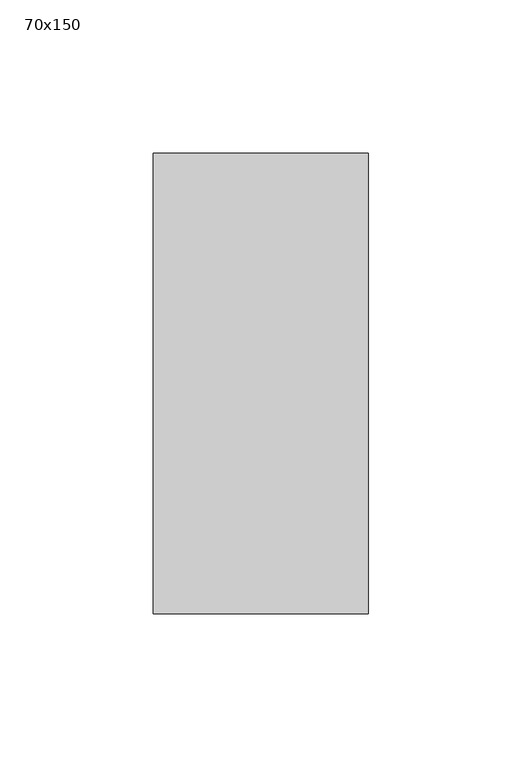
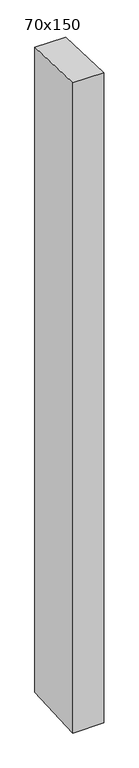
"""IFC4 building model written with IfcOpenShell, lengths in millimetres: member geometry, 70x150."""

from ifc_helpers import new_model, si_unit, frame, origin, place, context, project, spatial, polyline, outline, extrude, source, transform, mapped, element, save


def member_70x150_3aed8f4a(model_context):
    return source(origin(), model_context, "Body", "SweptSolid", [
        extrude(outline(polyline([(-75.0, 2.6551401), (75.0, -2.6551401), (75.0, -1556.1459372), (-75.0, -1564.0919604), (-75.0, 2.6551401)])), frame((-70.0, 0.0, 0.0), z_axis=(1.0, 0.0, 0.0), x_axis=(0.0, 1.0, 0.0)), (0.0, 0.0, 1.0), 70.0),
    ])


if __name__ == "__main__":
    model = new_model("IFC4")
    model_context = context("Model", 3, world=origin())
    ifc_project = project(units=[si_unit("LENGTHUNIT", "METRE", prefix="MILLI")], contexts=[model_context])
    site = spatial("IfcSite", under=ifc_project)
    building = spatial("IfcBuilding", under=site)
    placement = place(None, origin())
    member_70x150_shape = member_70x150_3aed8f4a(model_context)
    element("IfcMember", 1, ObjectType="70x150", at=placement, inside=building, context=model_context, shape_type="MappedRepresentation", body=[
        mapped(member_70x150_shape, transform((0.0, 0.0, 0.0), x_axis=(1.0, 0.0, 0.0), y_axis=(0.0, 1.0, 0.0), z_axis=(0.0, 0.0, 1.0))),
    ])
    save(model, "model.ifc")
